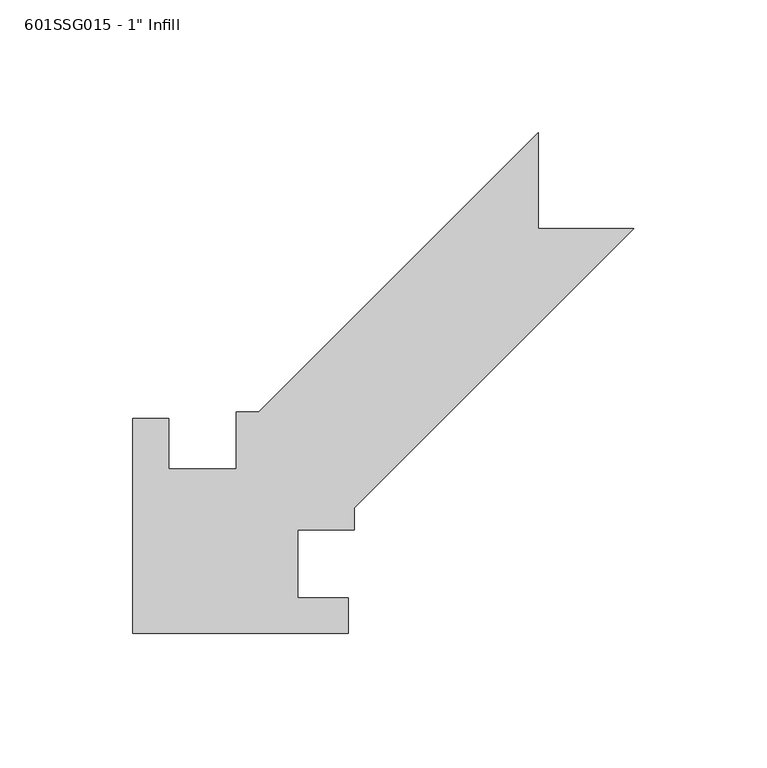
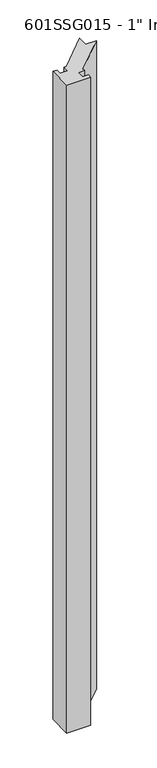
"""IFC4 building model written with IfcOpenShell, lengths in millimetres: proxy geometry."""

from ifc_helpers import new_model, si_unit, frame, origin, place, context, project, spatial, polyline, outline, extrude, source, transform, mapped, element, save


def proxy_b717959a(model_context):
    return source(origin(), model_context, "Body", "SweptSolid", [
        extrude(outline(polyline([(-26.19375, 54.76875), (-12.7, 54.76875), (-12.7, 35.71875), (12.7, 35.71875), (12.7, 57.0655687), (21.1445443, 57.0655687), (126.20625, 162.1272745), (126.20625, 126.20625), (162.1272745, 126.20625), (57.0655687, 21.1445443), (57.0655687, 12.7), (35.71875, 12.7), (35.71875, -12.7), (54.76875, -12.7), (54.76875, -26.19375), (-26.19375, -26.19375), (-26.19375, 54.76875)])), frame((0.0, 0.0, 63.5), z_axis=(0.0, 0.0, 1.0), x_axis=(1.0, 0.0, 0.0)), (0.0, 0.0, 1.0), 2324.1),
    ])


if __name__ == "__main__":
    model = new_model("IFC4")
    model_context = context("Model", 3, world=origin())
    ifc_project = project(units=[si_unit("LENGTHUNIT", "METRE", prefix="MILLI")], contexts=[model_context])
    site = spatial("IfcSite", under=ifc_project)
    building = spatial("IfcBuilding", under=site)
    placement = place(None, origin())
    proxy_shape = proxy_b717959a(model_context)
    element("IfcBuildingElementProxy", 1, Name="601SSG015 - 1\" Infill", ObjectType="601SSG015 - 1\" Infill", at=placement, inside=building, context=model_context, shape_type="MappedRepresentation", body=[
        mapped(proxy_shape, transform((0.0, 0.0, 0.0), x_axis=(1.0, 0.0, 0.0), y_axis=(0.0, 1.0, 0.0), z_axis=(0.0, 0.0, 1.0))),
    ])
    save(model, "model.ifc")
